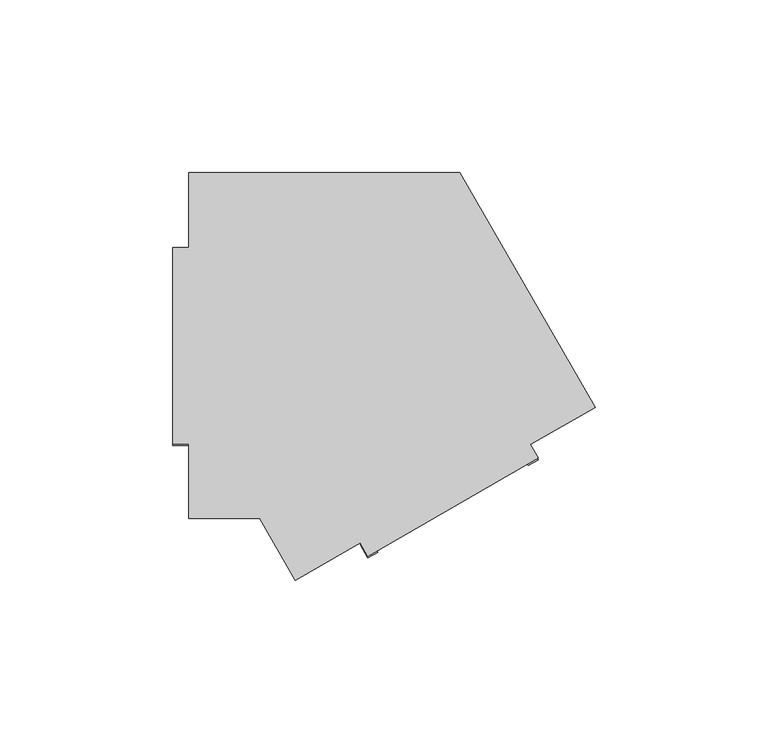
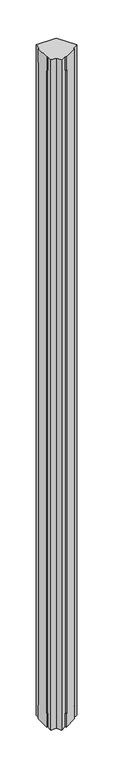
"""IFC4 building model written with IfcOpenShell, lengths in millimetres: furniture geometry."""

from ifc_helpers import new_model, si_unit, origin, place, context, project, spatial, faceted_brep, source, transform, mapped, element, save


def furniture_2987acd0(model_context):
    return source(origin(), model_context, "Body", "Brep", [
        faceted_brep([(0.0, 28.448, 2688.082), (0.0, 25.146, 2688.082), (0.0, 25.146, 55.118), (0.0, 28.448, 55.118), (0.0, 28.448, 0.0), (0.0, -28.448, 0.0), (0.0, -28.448, 55.118), (0.0, -25.146, 55.118), (0.0, -25.146, 2688.082), (0.0, -28.448, 2688.082), (0.0, -28.448, 2743.2), (0.0, 28.448, 2743.2), (4.4958, 28.448, 2688.082), (4.4958, 25.146, 2688.082), (105.5991907, -32.5197212, 2688.082), (102.7395748, -34.1707212, 2688.082), (100.4916748, -30.2772442, 2688.082), (103.3512907, -28.6262442, 2688.082), (4.4958, 25.146, 55.118), (4.4958, 28.448, 55.118), (102.7395748, -34.1707212, 55.118), (105.5991907, -32.5197212, 55.118), (103.3512907, -28.6262442, 55.118), (100.4916748, -30.2772442, 55.118), (4.4958, 28.448, 0.0), (4.4958, 49.9999, 0.0), (82.8424557, 49.9999, 0.0), (122.0157836, -17.8502942, 0.0), (103.3512907, -28.6262442, 0.0), (105.5991907, -32.5197212, 0.0), (56.3258093, -60.9677212, 0.0), (54.0779093, -57.0742442, 0.0), (35.4134164, -67.8501942, 0.0), (25.1075443, -49.9999, 0.0), (4.4958, -49.9999, 0.0), (4.4958, -28.448, 0.0), (4.4958, -28.448, 55.118), (4.4958, -25.146, 55.118), (56.3258093, -60.9677212, 55.118), (59.1854252, -59.3167212, 55.118), (56.9375252, -55.4232442, 55.118), (54.0779093, -57.0742442, 55.118), (4.4958, -25.146, 2688.082), (4.4958, -28.448, 2688.082), (59.1854252, -59.3167212, 2688.082), (56.3258093, -60.9677212, 2688.082), (54.0779093, -57.0742442, 2688.082), (56.9375252, -55.4232442, 2688.082), (4.4958, -28.448, 2743.2), (4.4958, -49.9999, 2743.2), (25.1075443, -49.9999, 2743.2), (35.4134164, -67.8501942, 2743.2), (54.0779093, -57.0742442, 2743.2), (56.3258093, -60.9677212, 2743.2), (105.5991907, -32.5197212, 2743.2), (103.3512907, -28.6262442, 2743.2), (122.0157836, -17.8502942, 2743.2), (82.8424557, 49.9999, 2743.2), (4.4958, 49.9999, 2743.2), (4.4958, 28.448, 2743.2)], [[[0, 1, 2, 3, 4, 5, 6, 7, 8, 9, 10, 11]], [[1, 0, 12, 13]], [[14, 15, 16, 17]], [[2, 1, 13, 18]], [[3, 2, 18, 19]], [[20, 21, 22, 23]], [[4, 3, 19, 24]], [[5, 4, 24, 25, 26, 27, 28, 29, 30, 31, 32, 33, 34, 35]], [[6, 5, 35, 36]], [[7, 6, 36, 37]], [[38, 39, 40, 41]], [[8, 7, 37, 42]], [[9, 8, 42, 43]], [[44, 45, 46, 47]], [[10, 9, 43, 48]], [[11, 10, 48, 49, 50, 51, 52, 53, 54, 55, 56, 57, 58, 59]], [[0, 11, 59, 12]], [[15, 14, 54, 53, 45, 44, 39, 38, 30, 29, 21, 20]], [[15, 20, 23, 16]], [[21, 29, 28, 22]], [[30, 38, 41, 31]], [[39, 44, 47, 40]], [[45, 53, 52, 46]], [[54, 14, 17, 55]], [[34, 49, 48, 43, 42, 37, 36, 35]], [[58, 25, 24, 19, 18, 13, 12, 59]], [[49, 34, 33, 50]], [[25, 58, 57, 26]], [[27, 56, 55, 17, 16, 23, 22, 28]], [[51, 32, 31, 41, 40, 47, 46, 52]], [[50, 33, 32, 51]], [[57, 56, 27, 26]]]),
    ])


if __name__ == "__main__":
    model = new_model("IFC4")
    model_context = context("Model", 3, world=origin())
    ifc_project = project(units=[si_unit("LENGTHUNIT", "METRE", prefix="MILLI")], contexts=[model_context])
    site = spatial("IfcSite", under=ifc_project)
    building = spatial("IfcBuilding", under=site)
    placement = place(None, origin())
    furniture_shape = furniture_2987acd0(model_context)
    element("IfcFurniture", 1, at=placement, inside=building, context=model_context, shape_type="MappedRepresentation", body=[
        mapped(furniture_shape, transform((0.0, 0.0, 0.0), x_axis=(1.0, 0.0, 0.0), y_axis=(0.0, 1.0, 0.0), z_axis=(0.0, 0.0, 1.0))),
    ])
    save(model, "model.ifc")
